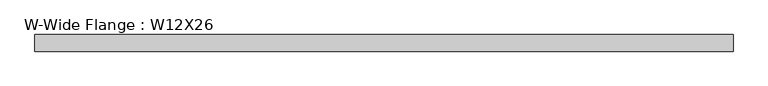
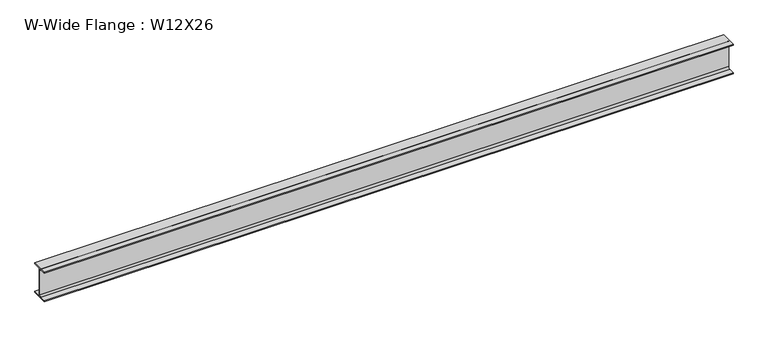
"""IFC4 building model written with IfcOpenShell, lengths in millimetres: beam geometry, W-Wide Flange : W12X26."""

from ifc_helpers import new_model, si_unit, point, frame, frame_2d, origin, place, context, project, spatial, polyline, circle_curve, trimmed, segment, composite_curve, outline, extrude, source, transform, mapped, element, save


def w_wide_flange_w12x26_b50d0540(model_context):
    return source(origin(), model_context, "Body", "SweptSolid", [
        extrude(outline(composite_curve([segment(polyline([(82.4011719, -145.5539063), (82.4011719, -155.178125), (-82.4011719, -155.178125), (-82.4011719, -145.5539063), (-20.2902344, -145.5539063)]), True, "CONTINUOUS"), segment(trimmed(circle_curve(frame_2d((-20.2902344, -128.190625)), 17.3632812), [point((-20.2902344, -145.5539063))], [point((-2.9269531, -128.190625))], True, "CARTESIAN"), True, "CONTINUOUS"), segment(polyline([(-2.9269531, -128.190625), (-2.9269531, 128.190625)]), True, "CONTINUOUS"), segment(trimmed(circle_curve(frame_2d((-20.2902344, 128.190625)), 17.3632812), [point((-2.9269531, 128.190625))], [point((-20.2902344, 145.5539062))], True, "CARTESIAN"), True, "CONTINUOUS"), segment(polyline([(-20.2902344, 145.5539062), (-82.4011719, 145.5539062), (-82.4011719, 155.178125), (82.4011719, 155.178125), (82.4011719, 145.5539062), (20.2902344, 145.5539062)]), True, "CONTINUOUS"), segment(trimmed(circle_curve(frame_2d((20.2902344, 128.190625)), 17.3632812), [point((20.2902344, 145.5539062))], [point((2.9269531, 128.190625))], True, "CARTESIAN"), True, "CONTINUOUS"), segment(polyline([(2.9269531, 128.190625), (2.9269531, -128.190625)]), True, "CONTINUOUS"), segment(trimmed(circle_curve(frame_2d((20.2902344, -128.190625)), 17.3632812), [point((2.9269531, -128.190625))], [point((20.2902344, -145.5539063))], True, "CARTESIAN"), True, "CONTINUOUS"), segment(polyline([(20.2902344, -145.5539063), (82.4011719, -145.5539063)]), True, "CONTINUOUS")], self_intersect=False)), frame((-3437.8800781, 0.0, 0.0), z_axis=(1.0, 0.0, 0.0), x_axis=(0.0, 1.0, 0.0)), (0.0, 0.0, 1.0), 6910.6851562),
    ])


if __name__ == "__main__":
    model = new_model("IFC4")
    model_context = context("Model", 3, world=origin())
    ifc_project = project(units=[si_unit("LENGTHUNIT", "METRE", prefix="MILLI")], contexts=[model_context])
    site = spatial("IfcSite", under=ifc_project)
    building = spatial("IfcBuilding", under=site)
    placement = place(None, origin())
    w_wide_flange_w12x26_shape = w_wide_flange_w12x26_b50d0540(model_context)
    element("IfcBeam", 1, ObjectType="W-Wide Flange : W12X26", at=placement, inside=building, context=model_context, shape_type="MappedRepresentation", body=[
        mapped(w_wide_flange_w12x26_shape, transform((0.0, 0.0, 0.0), x_axis=(1.0, 0.0, 0.0), y_axis=(0.0, 1.0, 0.0), z_axis=(0.0, 0.0, 1.0))),
    ])
    save(model, "model.ifc")
